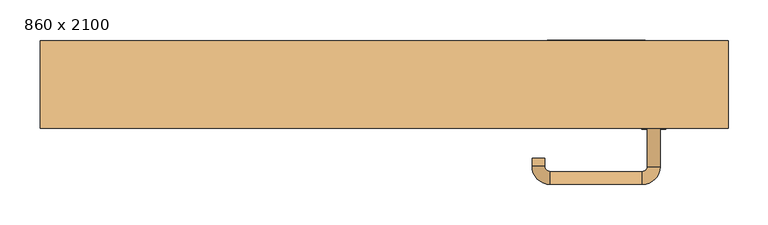
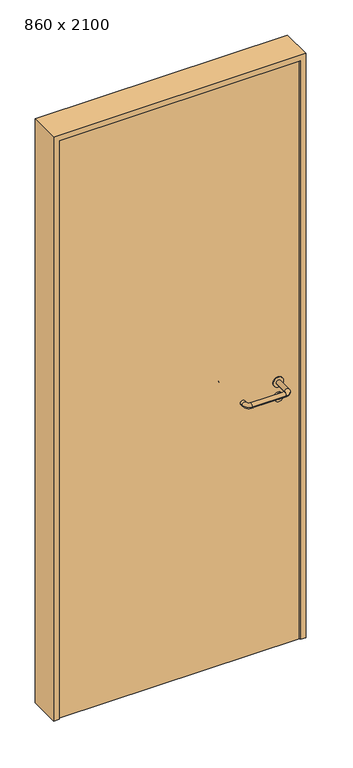
"""IFC4 building model written with IfcOpenShell, lengths in millimetres: door geometry, 860 x 2100."""

from ifc_helpers import new_model, si_unit, point, frame, frame_2d, origin, origin_with_axes, place, context, project, spatial, polyline, circle_curve, ellipse_curve, trimmed, segment, composite_curve, outline, extrude, source, transform, mapped, element, save
from ifc_brep_helpers import plane_surface, cylinder_surface, revolved_surface, advanced_brep


def door_860_x_2100_9b765fa5(model_context):
    return source(origin(), model_context, "Body", "SolidModel", [
        extrude(outline(composite_curve([segment(trimmed(circle_curve(frame_2d((897.3605726, 337.0)), 15.0), [point((897.3605726, 352.0))], [point((897.3605726, 322.0))], False, "CARTESIAN"), True, "CONTINUOUS"), segment(trimmed(circle_curve(frame_2d((897.3605726, 337.0)), 15.0), [point((897.3605726, 322.0))], [point((897.3605726, 352.0))], False, "CARTESIAN"), True, "CONTINUOUS")], self_intersect=False), holes=[composite_curve([segment(trimmed(circle_curve(frame_2d((892.5833211, 336.9398032)), 2.0), [point((892.5833211, 338.9398032))], [point((892.5833211, 334.9398032))], True, "CARTESIAN"), True, "CONTINUOUS"), segment(polyline([(892.5833211, 334.9398032), (902.5833211, 334.9398032)]), True, "CONTINUOUS"), segment(trimmed(circle_curve(frame_2d((902.5833211, 336.9398032)), 2.0), [point((902.5833211, 334.9398032))], [point((902.5833211, 338.9398032))], True, "CARTESIAN"), True, "CONTINUOUS"), segment(polyline([(902.5833211, 338.9398032), (892.5833211, 338.9398032)]), True, "CONTINUOUS")], self_intersect=False)]), frame((0.0, -20.0, 0.0), z_axis=(0.0, 1.0, 0.0), x_axis=(0.0, 0.0, 1.0)), (0.0, 0.0, 1.0), 6.35),
        extrude(outline(composite_curve([segment(trimmed(circle_curve(frame_2d((950.0, 337.0)), 17.526), [point((950.0, 354.526))], [point((950.0, 319.474))], False, "CARTESIAN"), True, "CONTINUOUS"), segment(trimmed(circle_curve(frame_2d((950.0, 337.0)), 17.526), [point((950.0, 319.474))], [point((950.0, 354.526))], False, "CARTESIAN"), True, "CONTINUOUS")], self_intersect=False)), frame((0.0, -20.0, 0.0), z_axis=(0.0, 1.0, 0.0), x_axis=(0.0, 0.0, 1.0)), (0.0, 0.0, 1.0), 3.175),
        advanced_brep(
        [(345.0, -20.0, 950.0), (329.0, -20.0, 950.0), (345.0, 33.0, 950.0), (329.0, 33.0, 950.0), (322.8578644, 39.1421356, 950.0), (322.8578644, 55.1421356, 950.0), (207.8578644, 55.1421356, 950.0), (207.8578644, 39.1421356, 950.0), (201.008622, 32.2928932, 950.0), (185.008622, 32.2928932, 950.0), (185.008622, 22.2928932, 950.0), (201.008622, 22.2928932, 950.0)],
        [
            (0, 1, circle_curve(frame((337.0, -20.0, 950.0), z_axis=(0.0, -1.0, 0.0), x_axis=(-1.0, 0.0, 0.0)), 8.0)),
            (1, 0, circle_curve(frame((337.0, -20.0, 950.0), z_axis=(0.0, -1.0, 0.0), x_axis=(-1.0, 0.0, 0.0)), 8.0)),
            (0, 2),
            (2, 3, circle_curve(frame((337.0, 33.0, 950.0), z_axis=(0.0, -1.0, 0.0), x_axis=(-1.0, 0.0, 0.0)), 8.0)),
            (3, 1),
            (3, 2, circle_curve(frame((337.0, 33.0, 950.0), z_axis=(0.0, -1.0, 0.0), x_axis=(-1.0, 0.0, 0.0)), 8.0)),
            (4, 3, circle_curve(frame((322.8578644, 33.0, 950.0), z_axis=(0.0, 0.0, -1.0), x_axis=(1.0, 0.0, 0.0)), 6.1421356)),
            (2, 5, circle_curve(frame((322.8578644, 33.0, 950.0), z_axis=(0.0, 0.0, 1.0), x_axis=(1.0, 0.0, 0.0)), 22.1421356)),
            (5, 4, circle_curve(frame((322.8578644, 47.1421356, 950.0), z_axis=(1.0, 0.0, 0.0), x_axis=(0.0, -1.0, 0.0)), 8.0)),
            (4, 5, circle_curve(frame((322.8578644, 47.1421356, 950.0), z_axis=(1.0, 0.0, 0.0), x_axis=(0.0, -1.0, 0.0)), 8.0)),
            (5, 6),
            (6, 7, circle_curve(frame((207.8578644, 47.1421356, 950.0), z_axis=(1.0, 0.0, 0.0), x_axis=(0.0, -1.0, 0.0)), 8.0)),
            (7, 4),
            (7, 6, circle_curve(frame((207.8578644, 47.1421356, 950.0), z_axis=(1.0, 0.0, 0.0), x_axis=(0.0, -1.0, 0.0)), 8.0)),
            (8, 7, circle_curve(frame((207.8578644, 32.2928932, 950.0), z_axis=(0.0, 0.0, -1.0), x_axis=(0.0, 1.0, 0.0)), 6.8492424)),
            (6, 9, circle_curve(frame((207.8578644, 32.2928932, 950.0), z_axis=(0.0, 0.0, 1.0), x_axis=(0.0, 1.0, 0.0)), 22.8492424)),
            (9, 8, circle_curve(frame((193.008622, 32.2928932, 950.0), z_axis=(0.0, 1.0, 0.0), x_axis=(1.0, 0.0, 0.0)), 8.0)),
            (8, 9, circle_curve(frame((193.008622, 32.2928932, 950.0), z_axis=(0.0, 1.0, 0.0), x_axis=(1.0, 0.0, 0.0)), 8.0)),
            (10, 11, circle_curve(frame((193.008622, 22.2928932, 950.0), z_axis=(0.0, -1.0, 0.0), x_axis=(1.0, 0.0, 0.0)), 8.0)),
            (11, 10, circle_curve(frame((193.008622, 22.2928932, 950.0), z_axis=(0.0, -1.0, 0.0), x_axis=(1.0, 0.0, 0.0)), 8.0)),
            (9, 10),
            (11, 8),
        ],
        [
            plane_surface(frame((337.0, -20.0, 0.0), z_axis=(0.0, -1.0, 0.0), x_axis=(0.0, 0.0, 1.0))),
            cylinder_surface(frame((337.0, -20.0, 950.0), z_axis=(0.0, -1.0, 0.0), x_axis=(-1.0, 0.0, 0.0)), 8.0),
            revolved_surface(trimmed(ellipse_curve(frame((337.0, 33.0, 950.0), z_axis=(0.0, -1.0, 0.0), x_axis=(-1.0, 0.0, 0.0)), 8.0, 8.0), [point((345.0, 33.0, 950.0))], [point((329.0, 33.0, 950.0))], True, "CARTESIAN"), (322.8578644, 33.0, 0.0), (0.0, 0.0, 1.0)),
            revolved_surface(trimmed(ellipse_curve(frame((337.0, 33.0, 950.0), z_axis=(0.0, -1.0, 0.0), x_axis=(-1.0, 0.0, 0.0)), 8.0, 8.0), [point((329.0, 33.0, 950.0))], [point((345.0, 33.0, 950.0))], True, "CARTESIAN"), (322.8578644, 33.0, 0.0), (0.0, 0.0, 1.0)),
            cylinder_surface(frame((322.8578644, 47.1421356, 950.0), z_axis=(1.0, 0.0, 0.0), x_axis=(0.0, -1.0, 0.0)), 8.0),
            revolved_surface(trimmed(ellipse_curve(frame((207.8578644, 47.1421356, 950.0), z_axis=(1.0, 0.0, 0.0), x_axis=(0.0, -1.0, 0.0)), 8.0, 8.0), [point((207.8578644, 55.1421356, 950.0))], [point((207.8578644, 39.1421356, 950.0))], True, "CARTESIAN"), (207.8578644, 32.2928932, 0.0), (0.0, 0.0, 1.0)),
            revolved_surface(trimmed(ellipse_curve(frame((207.8578644, 47.1421356, 950.0), z_axis=(1.0, 0.0, 0.0), x_axis=(0.0, -1.0, 0.0)), 8.0, 8.0), [point((207.8578644, 39.1421356, 950.0))], [point((207.8578644, 55.1421356, 950.0))], True, "CARTESIAN"), (207.8578644, 32.2928932, 0.0), (0.0, 0.0, 1.0)),
            plane_surface(frame((193.008622, 22.2928932, 0.0), z_axis=(0.0, -1.0, 0.0), x_axis=(0.0, 0.0, 1.0))),
            cylinder_surface(frame((193.008622, 32.2928932, 950.0), z_axis=(0.0, 1.0, 0.0), x_axis=(1.0, 0.0, 0.0)), 8.0),
        ],
        [
            (0, [[1, 2]]),
            (1, [[-1, 3, 4, 5]]),
            (1, [[-2, -5, 6, -3]]),
            (2, [[7, -4, 8, 9]]),
            (3, [[-8, -6, -7, 10]]),
            (4, [[-9, 11, 12, 13]]),
            (4, [[-10, -13, 14, -11]]),
            (5, [[15, -12, 16, 17]]),
            (6, [[-16, -14, -15, 18]]),
            (7, [[19, 20]]),
            (8, [[-17, 21, -20, 22]]),
            (8, [[-18, -22, -19, -21]]),
        ],
    ),
        extrude(outline(composite_curve([segment(trimmed(circle_curve(frame_2d((0.0, 15.0)), 15.0), [point((0.0, 30.0))], [point((0.0, 0.0))], False, "CARTESIAN"), True, "CONTINUOUS"), segment(trimmed(circle_curve(frame_2d((0.0, 15.0)), 15.0), [point((0.0, 0.0))], [point((0.0, 30.0))], False, "CARTESIAN"), True, "CONTINUOUS")], self_intersect=False), holes=[composite_curve([segment(trimmed(circle_curve(frame_2d((-4.7772515, 14.9398032)), 2.0), [point((-4.7772515, 16.9398032))], [point((-4.7772515, 12.9398032))], True, "CARTESIAN"), True, "CONTINUOUS"), segment(polyline([(-4.7772515, 12.9398032), (5.2227485, 12.9398032)]), True, "CONTINUOUS"), segment(trimmed(circle_curve(frame_2d((5.2227485, 14.9398032)), 2.0), [point((5.2227485, 12.9398032))], [point((5.2227485, 16.9398032))], True, "CARTESIAN"), True, "CONTINUOUS"), segment(polyline([(5.2227485, 16.9398032), (-4.7772515, 16.9398032)]), True, "CONTINUOUS")], self_intersect=False)]), frame((322.0, -56.35, 897.3605726), z_axis=(-1.8870575173328306e-12, 1.0, 0.0), x_axis=(0.0, 0.0, 1.0)), (0.0, 0.0, 1.0), 6.35),
        extrude(outline(composite_curve([segment(trimmed(circle_curve(frame_2d((0.0, 17.526)), 17.526), [point((0.0, 35.052))], [point((0.0, 0.0))], False, "CARTESIAN"), True, "CONTINUOUS"), segment(trimmed(circle_curve(frame_2d((0.0, 17.526)), 17.526), [point((0.0, 0.0))], [point((0.0, 35.052))], False, "CARTESIAN"), True, "CONTINUOUS")], self_intersect=False)), frame((319.474, -53.175, 950.0), z_axis=(-1.8870575173328306e-12, 1.0, 0.0), x_axis=(0.0, 0.0, 1.0)), (0.0, 0.0, 1.0), 3.175),
        advanced_brep(
        [(345.0, -50.0, 950.0), (329.0, -50.0, 950.0), (329.0, -103.0, 950.0), (345.0, -103.0, 950.0), (322.8578644, -109.1421356, 950.0), (322.8578644, -125.1421356, 950.0), (207.8578644, -109.1421356, 950.0), (207.8578644, -125.1421356, 950.0), (201.008622, -102.2928932, 950.0), (185.008622, -102.2928932, 950.0), (185.008622, -92.2928932, 950.0), (201.008622, -92.2928932, 950.0)],
        [
            (0, 1, circle_curve(frame((337.0, -50.0, 950.0), z_axis=(-1.888672253512351e-12, 1.0, 0.0), x_axis=(-1.0, -1.888672253512351e-12, 0.0)), 8.0)),
            (1, 0, circle_curve(frame((337.0, -50.0, 950.0), z_axis=(-1.888672253512351e-12, 1.0, 0.0), x_axis=(-1.0, -1.888672253512351e-12, 0.0)), 8.0)),
            (1, 2),
            (2, 3, circle_curve(frame((337.0, -103.0, 950.0), z_axis=(-1.888672253512351e-12, 1.0, 0.0), x_axis=(-1.0, -1.888672253512351e-12, 0.0)), 8.0)),
            (3, 0),
            (3, 2, circle_curve(frame((337.0, -103.0, 950.0), z_axis=(-1.888672253512351e-12, 1.0, 0.0), x_axis=(-1.0, -1.888672253512351e-12, 0.0)), 8.0)),
            (4, 5, circle_curve(frame((322.8578644, -117.1421356, 950.0), z_axis=(1.0, 1.913702061528922e-12, 0.0), x_axis=(-1.913702061528922e-12, 1.0, 0.0)), 8.0)),
            (5, 3, circle_curve(frame((322.8578644, -103.0, 950.0), z_axis=(0.0, 0.0, 1.0), x_axis=(1.0, 1.880717803715015e-12, 0.0)), 22.1421356)),
            (2, 4, circle_curve(frame((322.8578644, -103.0, 950.0), z_axis=(0.0, 0.0, -1.0), x_axis=(1.0, 1.880717803715015e-12, 0.0)), 6.1421356)),
            (5, 4, circle_curve(frame((322.8578644, -117.1421356, 950.0), z_axis=(1.0, 1.913702061528922e-12, 0.0), x_axis=(-1.913702061528922e-12, 1.0, 0.0)), 8.0)),
            (4, 6),
            (6, 7, circle_curve(frame((207.8578644, -117.1421356, 950.0), z_axis=(1.0, 1.913719828541269e-12, 0.0), x_axis=(-1.913719828541269e-12, 1.0, 0.0)), 8.0)),
            (7, 5),
            (7, 6, circle_curve(frame((207.8578644, -117.1421356, 950.0), z_axis=(1.0, 1.913719828541269e-12, 0.0), x_axis=(-1.913719828541269e-12, 1.0, 0.0)), 8.0)),
            (8, 9, circle_curve(frame((193.008622, -102.2928932, 950.0), z_axis=(1.8888942981172756e-12, -1.0, 0.0), x_axis=(1.0, 1.8888942981172756e-12, 0.0)), 8.0)),
            (9, 7, circle_curve(frame((207.8578644, -102.2928932, 950.0), z_axis=(0.0, 0.0, 1.0), x_axis=(1.9120873253494017e-12, -1.0, 0.0)), 22.8492424)),
            (6, 8, circle_curve(frame((207.8578644, -102.2928932, 950.0), z_axis=(0.0, 0.0, -1.0), x_axis=(1.9120873253494017e-12, -1.0, 0.0)), 6.8492424)),
            (9, 8, circle_curve(frame((193.008622, -102.2928932, 950.0), z_axis=(1.890448610351751e-12, -1.0, 0.0), x_axis=(1.0, 1.890448610351751e-12, 0.0)), 8.0)),
            (10, 11, circle_curve(frame((193.008622, -92.2928932, 950.0), z_axis=(-1.8903642334018795e-12, 1.0, 0.0), x_axis=(1.0, 1.8903642334018795e-12, 0.0)), 8.0)),
            (11, 10, circle_curve(frame((193.008622, -92.2928932, 950.0), z_axis=(-1.8903642334018795e-12, 1.0, 0.0), x_axis=(1.0, 1.8903642334018795e-12, 0.0)), 8.0)),
            (8, 11),
            (10, 9),
        ],
        [
            plane_surface(frame((337.0, -50.0, 0.0), z_axis=(-1.8870575173328306e-12, 1.0, 0.0), x_axis=(0.0, 0.0, 1.0))),
            cylinder_surface(frame((337.0, -50.0, 950.0), z_axis=(-1.888672253512351e-12, 1.0, 0.0), x_axis=(-1.0, -1.888672253512351e-12, 0.0)), 8.0),
            revolved_surface(trimmed(ellipse_curve(frame((337.0, -103.0, 950.0), z_axis=(1.8823325398945356e-12, -1.0, 0.0), x_axis=(-1.0, -1.8823325398945356e-12, 0.0)), 8.0, 8.0), [point((345.0, -103.0, 950.0))], [point((329.0, -103.0, 950.0))], True, "CARTESIAN"), (322.8578644, -103.0, 0.0), (0.0, 0.0, 1.0)),
            revolved_surface(trimmed(ellipse_curve(frame((337.0, -103.0, 950.0), z_axis=(1.8823325398945356e-12, -1.0, 0.0), x_axis=(-1.0, -1.8823325398945356e-12, 0.0)), 8.0, 8.0), [point((329.0, -103.0, 950.0))], [point((345.0, -103.0, 950.0))], True, "CARTESIAN"), (322.8578644, -103.0, 0.0), (0.0, 0.0, 1.0)),
            cylinder_surface(frame((322.8578644, -117.1421356, 950.0), z_axis=(1.0, 1.913719828541269e-12, 0.0), x_axis=(-1.913719828541269e-12, 1.0, 0.0)), 8.0),
            revolved_surface(trimmed(ellipse_curve(frame((207.8578644, -117.1421356, 950.0), z_axis=(-1.0, -1.913702061528922e-12, 0.0), x_axis=(-1.913702061528922e-12, 1.0, 0.0)), 8.0, 8.0), [point((207.8578644, -125.1421356, 950.0))], [point((207.8578644, -109.1421356, 950.0))], True, "CARTESIAN"), (207.8578644, -102.2928932, 0.0), (0.0, 0.0, 1.0)),
            revolved_surface(trimmed(ellipse_curve(frame((207.8578644, -117.1421356, 950.0), z_axis=(-1.0, -1.913702061528922e-12, 0.0), x_axis=(-1.913702061528922e-12, 1.0, 0.0)), 8.0, 8.0), [point((207.8578644, -109.1421356, 950.0))], [point((207.8578644, -125.1421356, 950.0))], True, "CARTESIAN"), (207.8578644, -102.2928932, 0.0), (0.0, 0.0, 1.0)),
            plane_surface(frame((193.008622, -92.2928932, 0.0), z_axis=(-1.8887494972223595e-12, 1.0, 0.0), x_axis=(0.0, 0.0, 1.0))),
            cylinder_surface(frame((193.008622, -102.2928932, 950.0), z_axis=(1.8903642334018795e-12, -1.0, 0.0), x_axis=(1.0, 1.8903642334018795e-12, 0.0)), 8.0),
        ],
        [
            (0, [[1, 2]]),
            (1, [[3, 4, 5, -2]]),
            (1, [[-5, 6, -3, -1]]),
            (2, [[7, 8, -4, 9]]),
            (3, [[10, -9, -6, -8]]),
            (4, [[11, 12, 13, -7]]),
            (4, [[-13, 14, -11, -10]]),
            (5, [[15, 16, -12, 17]]),
            (6, [[18, -17, -14, -16]]),
            (7, [[19, 20]]),
            (8, [[21, -19, 22, -15]]),
            (8, [[-22, -20, -21, -18]]),
        ],
    ),
        extrude(outline(polyline([(2080.0, 410.0), (0.0, 410.0), (0.0, 430.0), (2100.0, 430.0), (2100.0, -430.0), (0.0, -430.0), (0.0, -410.0), (2080.0, -410.0), (2080.0, 410.0)])), frame((0.0, -55.0, 0.0), z_axis=(0.0, 1.0, 0.0), x_axis=(0.0, 0.0, 1.0)), (0.0, 0.0, 1.0), 109.0),
        extrude(outline(polyline([(-410.0, -50.0), (-410.0, -20.0), (410.0, -20.0), (410.0, -50.0), (-410.0, -50.0)])), origin_with_axes(), (0.0, 0.0, 1.0), 2080.0),
    ])


if __name__ == "__main__":
    model = new_model("IFC4")
    model_context = context("Model", 3, world=origin())
    ifc_project = project(units=[si_unit("LENGTHUNIT", "METRE", prefix="MILLI")], contexts=[model_context])
    site = spatial("IfcSite", under=ifc_project)
    building = spatial("IfcBuilding", under=site)
    placement = place(None, origin())
    door_860_x_2100_shape = door_860_x_2100_9b765fa5(model_context)
    element("IfcDoor", 1, ObjectType="860 x 2100", at=placement, inside=building, context=model_context, shape_type="MappedRepresentation", body=[
        mapped(door_860_x_2100_shape, transform((0.0, 0.0, 0.0), x_axis=(1.0, 0.0, 0.0), y_axis=(0.0, 1.0, 0.0), z_axis=(0.0, 0.0, 1.0))),
    ])
    save(model, "model.ifc")
